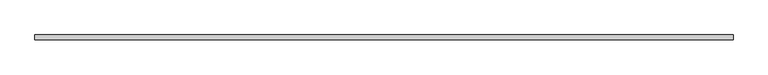
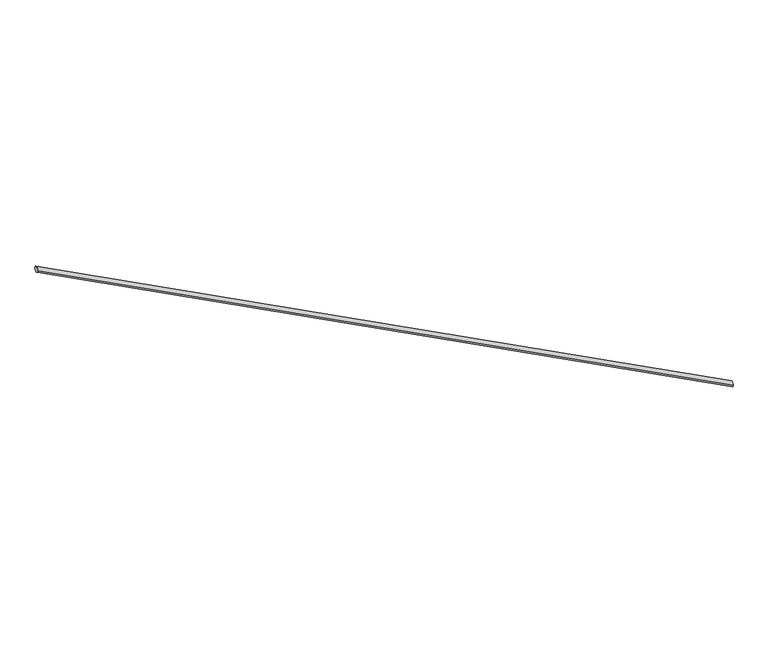
"""IFC4 building model written with IfcOpenShell, lengths in millimetres: railing geometry."""

from ifc_helpers import new_model, si_unit, frame, origin, place, context, project, spatial, ellipse_curve, source, transform, mapped, element, save
from ifc_brep_helpers import plane_surface, cylinder_surface, advanced_brep


def railing_aeba9fb1(model_context):
    return source(origin(), model_context, "Body", "AdvancedBrep", [
        advanced_brep(
        [(-58673.7197131, -37251.8115554, -9045.769102), (-58673.7197131, -37291.8115554, -9045.769102), (-64257.7961144, -37251.8115554, -6120.0), (-64257.7961144, -37291.8115554, -6120.0)],
        [
            (0, 1, ellipse_curve(frame((-58673.7197131, -37271.8115554, -9045.769102), z_axis=(1.0, 0.0, 0.0), x_axis=(0.0, 0.0, -0.9999999999999999)), 22.5789473, 20.0)),
            (1, 0, ellipse_curve(frame((-58673.7197131, -37271.8115554, -9045.769102), z_axis=(1.0, 0.0, 0.0), x_axis=(0.0, 0.0, -0.9999999999999999)), 22.5789473, 20.0)),
            (2, 3, ellipse_curve(frame((-64257.7961144, -37271.8115554, -6120.0), z_axis=(-1.0, 0.0, 0.0), x_axis=(0.0, 0.0, -0.9999999999999999)), 22.5789473, 20.0)),
            (3, 2, ellipse_curve(frame((-64257.7961144, -37271.8115554, -6120.0), z_axis=(-1.0, 0.0, 0.0), x_axis=(0.0, 0.0, -0.9999999999999999)), 22.5789473, 20.0)),
            (0, 2),
            (3, 1),
        ],
        [
            plane_surface(frame((-58673.7197131, -37271.8115554, -9045.769102), z_axis=(1.0, 0.0, 0.0), x_axis=(0.0, -1.0, 0.0))),
            plane_surface(frame((-64257.7961144, -37271.8115554, -6120.0), z_axis=(-1.0, 0.0, 0.0), x_axis=(0.0, -1.0, 0.0))),
            cylinder_surface(frame((-58673.7197131, -37271.8115554, -9045.769102), z_axis=(0.8857808887252266, 0.0, -0.46410367071285663), x_axis=(0.0, -1.0, 0.0)), 20.0),
        ],
        [
            (0, [[1, 2]]),
            (1, [[3, 4]]),
            (2, [[-1, 5, -4, 6]]),
            (2, [[-2, -6, -3, -5]]),
        ],
    ),
    ])


if __name__ == "__main__":
    model = new_model("IFC4")
    model_context = context("Model", 3, world=origin())
    ifc_project = project(units=[si_unit("LENGTHUNIT", "METRE", prefix="MILLI")], contexts=[model_context])
    site = spatial("IfcSite", under=ifc_project)
    building = spatial("IfcBuilding", under=site)
    placement = place(None, origin())
    railing_shape = railing_aeba9fb1(model_context)
    element("IfcRailing", 1, at=placement, inside=building, context=model_context, shape_type="MappedRepresentation", body=[
        mapped(railing_shape, transform((0.0, 0.0, 0.0), x_axis=(1.0, 0.0, 0.0), y_axis=(0.0, 1.0, 0.0), z_axis=(0.0, 0.0, 1.0))),
    ])
    save(model, "model.ifc")
